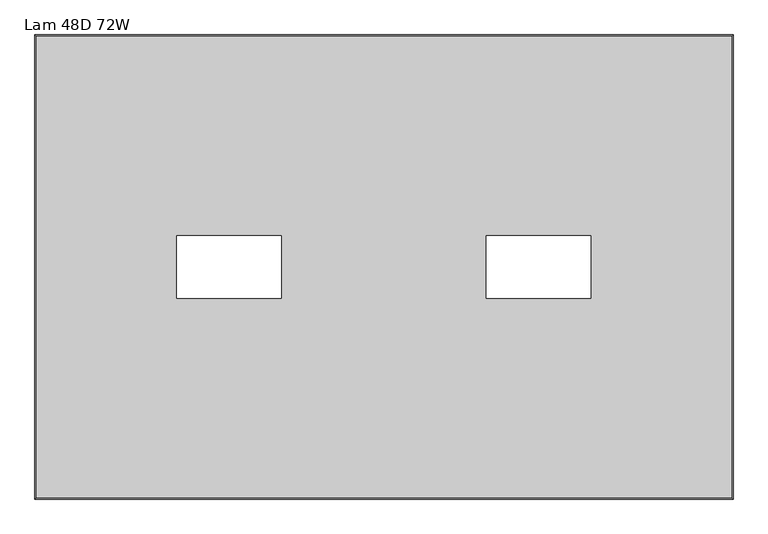
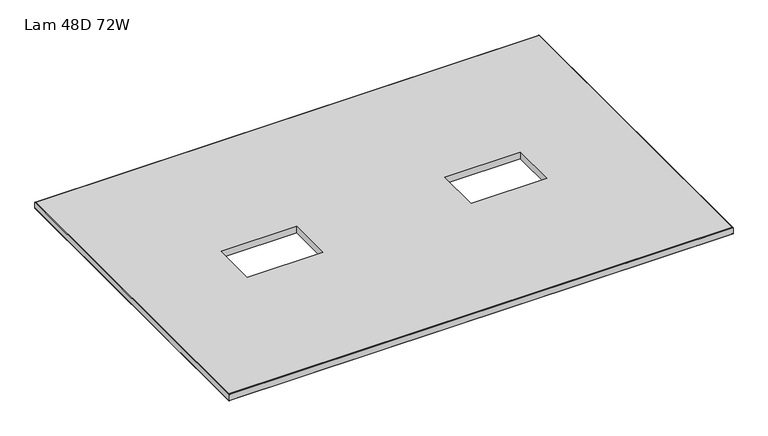
"""IFC4 building model written with IfcOpenShell, lengths in millimetres: furniture geometry, Lam 48D 72W."""

import ifcopenshell
import ifcopenshell.guid

model = None  # the IFC model being written
_history = None  # IfcOwnerHistory: only IFC2X3 demands one
_inside = {}  # id of a spatial element -> (the spatial element, [elements in it])
_under = {}  # id of a project, library or spatial element -> (it, [spatial elements below it])
_declared = {}  # id of a project -> (the project, [libraries it declares])
_typed = {}  # id of a type object -> (the type object, [elements of that type])
_made_of = {}  # id of a material, layer set ... -> (it, [elements and type objects made of it])


def new_model(schema):
    """Start an empty IFC model of exactly this schema.

    Asked for "IFC4X3", IfcOpenShell would pick the latest addendum, in which some entities
    have other attributes; the version numbers below select the first issue.
    IFC2X3 requires an IfcOwnerHistory on every rooted entity: one is made here for all.
    """
    global model, _history
    if schema == "IFC4X3":
        model = ifcopenshell.file(schema_version=(4, 3, 0, 0))
    else:
        model = ifcopenshell.file(schema=schema)
    _inside.clear()
    _under.clear()
    _declared.clear()
    _typed.clear()
    _made_of.clear()
    _history = None
    if model.schema == "IFC2X3":
        org = make("IfcOrganization", Name="unknown")
        user = make(
            "IfcPersonAndOrganization",
            ThePerson=make("IfcPerson", FamilyName="unknown"),
            TheOrganization=org,
        )
        app = make(
            "IfcApplication",
            ApplicationDeveloper=org,
            Version="unknown",
            ApplicationFullName="unknown",
            ApplicationIdentifier="unknown",
        )
        _history = make(
            "IfcOwnerHistory",
            OwningUser=user,
            OwningApplication=app,
            ChangeAction="ADDED",
            CreationDate=0,
        )
    return model


def make(cls, **values):
    """One entity of the class cls with the attributes given. An attribute that is None is left unset."""
    return model.create_entity(
        cls, **{name: value for name, value in values.items() if value is not None}
    )


def rooted(cls, **values):
    """An entity with a GlobalId (a new one), such as an element, a storey or a relation."""
    return make(cls, GlobalId=ifcopenshell.guid.new(), OwnerHistory=_history, **values)


def si_unit(unit_type, name, prefix=None):
    """IfcSIUnit, for example si_unit("LENGTHUNIT", "METRE", prefix="MILLI")."""
    return make("IfcSIUnit", UnitType=unit_type, Prefix=prefix, Name=name)


def assignment(units):
    """IfcUnitAssignment: the units of a project."""
    return None if units is None else make("IfcUnitAssignment", Units=units)


def point(xyz):
    """IfcCartesianPoint."""
    return None if xyz is None else make("IfcCartesianPoint", Coordinates=xyz)


def direction(xyz):
    """IfcDirection."""
    return None if xyz is None else make("IfcDirection", DirectionRatios=xyz)


def frame(location, z_axis=None, x_axis=None):
    """IfcAxis2Placement3D, a coordinate frame: its origin and axes. An axis left out is left unset."""
    return make(
        "IfcAxis2Placement3D",
        Location=point(location),
        Axis=direction(z_axis),
        RefDirection=direction(x_axis),
    )


def origin():
    """The frame at (0, 0, 0) with its axes left unset."""
    return frame((0.0, 0.0, 0.0))


def place(relative_to, where):
    """IfcLocalPlacement: puts the frame where relative to a parent placement (None: the world)."""
    return make(
        "IfcLocalPlacement", PlacementRelTo=relative_to, RelativePlacement=where
    )


def context(
    kind, dimensions, precision=None, world=None, true_north=None, identifier=None
):
    """IfcGeometricRepresentationContext, for example the 3D "Model" context."""
    return make(
        "IfcGeometricRepresentationContext",
        ContextIdentifier=identifier,
        ContextType=kind,
        CoordinateSpaceDimension=dimensions,
        Precision=precision,
        WorldCoordinateSystem=world,
        TrueNorth=true_north,
    )


def project(units=None, contexts=None):
    """IfcProject with its units and contexts."""
    return rooted(
        "IfcProject",
        Name="project",
        RepresentationContexts=contexts,
        UnitsInContext=assignment(units),
    )


def spatial(cls, under=None, at=None, **own):
    """A site, building, storey or space (cls), placed at a placement, below another one or the project."""
    s = rooted(cls, ObjectPlacement=at, **own)
    if under is not None:
        _under.setdefault(under.id(), (under, []))[1].append(s)
    return s


def polyline(points):
    """IfcPolyline through the points."""
    return make("IfcPolyline", Points=[point(p) for p in points])


def ellipse_curve(where, semi_axis1, semi_axis2):
    """IfcEllipse in the frame where."""
    return make(
        "IfcEllipse", Position=where, SemiAxis1=semi_axis1, SemiAxis2=semi_axis2
    )


def outline(outer, holes=None, kind="AREA"):
    """IfcArbitraryClosedProfileDef: a profile drawn as a closed curve; with holes, ...WithVoids."""
    if holes is None:
        return make("IfcArbitraryClosedProfileDef", ProfileType=kind, OuterCurve=outer)
    return make(
        "IfcArbitraryProfileDefWithVoids",
        ProfileType=kind,
        OuterCurve=outer,
        InnerCurves=holes,
    )


def extrude(swept, where, along, depth):
    """IfcExtrudedAreaSolid: the profile swept, set in the frame where, extruded along a direction by depth."""
    return make(
        "IfcExtrudedAreaSolid",
        SweptArea=swept,
        Position=where,
        ExtrudedDirection=direction(along),
        Depth=depth,
    )


def shape(context_of_items, identifier, shape_type, items):
    """IfcShapeRepresentation: the items that make up one representation, for example the "Body"."""
    return make(
        "IfcShapeRepresentation",
        ContextOfItems=context_of_items,
        RepresentationIdentifier=identifier,
        RepresentationType=shape_type,
        Items=items,
    )


def source(mapping_origin, context_of_items, identifier, shape_type, items):
    """IfcRepresentationMap: a shape defined once, which mapped items show again and again."""
    return make(
        "IfcRepresentationMap",
        MappingOrigin=mapping_origin,
        MappedRepresentation=shape(context_of_items, identifier, shape_type, items),
    )


def transform(
    local_origin,
    x_axis=None,
    y_axis=None,
    z_axis=None,
    scale=None,
    scale2=None,
    scale3=None,
    uniform=True,
):
    """IfcCartesianTransformationOperator3D, or its non-uniform kind. x_axis, y_axis, z_axis: its Axis1, 2, 3."""
    if uniform:
        return make(
            "IfcCartesianTransformationOperator3D",
            Axis1=direction(x_axis),
            Axis2=direction(y_axis),
            LocalOrigin=point(local_origin),
            Scale=scale,
            Axis3=direction(z_axis),
        )
    return make(
        "IfcCartesianTransformationOperator3DnonUniform",
        Axis1=direction(x_axis),
        Axis2=direction(y_axis),
        LocalOrigin=point(local_origin),
        Scale=scale,
        Axis3=direction(z_axis),
        Scale2=scale2,
        Scale3=scale3,
    )


def mapped(mapping_source, mapping_target):
    """IfcMappedItem: shows the shape of a source again, moved by a transform."""
    return make(
        "IfcMappedItem", MappingSource=mapping_source, MappingTarget=mapping_target
    )


def made_of(thing, what):
    """Note that an element or type object is made of a material, layer set ...; save() writes the relation."""
    if what is not None:
        _made_of.setdefault(what.id(), (what, []))[1].append(thing)
    return thing


def element(
    cls,
    number,
    at=None,
    inside=None,
    cuts=None,
    type_object=None,
    material=None,
    context=None,
    identifier="Body",
    shape_type=None,
    held_by="IfcProductDefinitionShape",
    body=None,
    shapes=None,
    **own,
):
    """One element of the class cls, such as IfcWall. Its Tag is "e" and its number.

    at: its placement. inside: the storey or other place that contains it. cuts: it is an
    opening in that element (IfcRelVoidsElement). A single representation is given by context,
    identifier, shape_type and body (its items); several are given by shapes. held_by: the class
    of the entity that holds the representations. save() writes the other relations.
    """
    e = rooted(cls, Tag="e%d" % number, ObjectPlacement=at, **own)
    if body is not None:
        shapes = [shape(context, identifier, shape_type, body)]
    if shapes is not None:
        e.Representation = make(held_by, Representations=shapes)
    if inside is not None:
        _inside.setdefault(inside.id(), (inside, []))[1].append(e)
    if cuts is not None:
        rooted(
            "IfcRelVoidsElement", RelatingBuildingElement=cuts, RelatedOpeningElement=e
        )
    if type_object is not None:
        _typed.setdefault(type_object.id(), (type_object, []))[1].append(e)
    return made_of(e, material)


def aggregate(whole, parts):
    """IfcRelAggregates: a whole, such as a stair, and the parts it consists of."""
    return rooted("IfcRelAggregates", RelatingObject=whole, RelatedObjects=parts)


def save(model, path):
    """Write the relations noted so far, then the file.

    IfcRelAggregates (storeys below a building ...), IfcRelContainedInSpatialStructure (elements
    in a storey), IfcRelDefinesByType, IfcRelAssociatesMaterial and IfcRelDeclares: one each for
    every whole, place, type object, material and project.
    """
    for whole, parts in _under.values():
        aggregate(whole, parts)
    for where, things in _inside.values():
        rooted(
            "IfcRelContainedInSpatialStructure",
            RelatedElements=things,
            RelatingStructure=where,
        )
    for kind, things in _typed.values():
        rooted("IfcRelDefinesByType", RelatedObjects=things, RelatingType=kind)
    for what, things in _made_of.values():
        rooted("IfcRelAssociatesMaterial", RelatedObjects=things, RelatingMaterial=what)
    for by, libraries in _declared.values():
        rooted("IfcRelDeclares", RelatingContext=by, RelatedDefinitions=libraries)
    model.write(path)


def plane_surface(at):
    """IfcPlane: the flat surface through the origin of the frame at, square to its z axis."""
    return make("IfcPlane", Position=at)


def cylinder_surface(at, radius):
    """IfcCylindricalSurface: all points at the distance radius from the z axis of the frame at."""
    return make("IfcCylindricalSurface", Position=at, Radius=radius)


def advanced_brep(points, edges, surfaces, faces):
    """IfcAdvancedBrep: a solid bounded by faces that lie on surfaces and meet in shared edges.

    An edge is (start, end): straight between two places in points (the first is 0);
    or (start, end, curve); or (start, end, curve, False) where it runs against its curve.
    A face is (place in surfaces, loops), or (place, loops, False) where it looks against
    its surface's normal. A loop lists edges by number (the first is 1), with a minus sign
    where the edge is run from its end to its start. The first loop is the outer one.
    """
    corners = [point(p) for p in points]
    vertices = [make("IfcVertexPoint", VertexGeometry=c) for c in corners]
    made = []
    for start, end, *more in edges:
        made.append(
            make(
                "IfcEdgeCurve",
                EdgeStart=vertices[start],
                EdgeEnd=vertices[end],
                EdgeGeometry=more[0] if more else make("IfcPolyline", Points=[corners[start], corners[end]]),
                SameSense=more[1] if len(more) > 1 else True,
            )
        )
    hull = []
    for where, loops, *sense in faces:
        bounds = []
        for j, loop in enumerate(loops):
            ring = [make("IfcOrientedEdge", EdgeElement=made[abs(k) - 1], Orientation=k > 0) for k in loop]
            bounds.append(
                make(
                    "IfcFaceOuterBound" if j == 0 else "IfcFaceBound",
                    Bound=make("IfcEdgeLoop", EdgeList=ring),
                    Orientation=True,
                )
            )
        hull.append(make("IfcAdvancedFace", Bounds=bounds, FaceSurface=surfaces[where], SameSense=sense[0] if sense else True))
    return make("IfcAdvancedBrep", Outer=make("IfcClosedShell", CfsFaces=hull))


def lam_48d_72w_dd69f73e(model_context):
    return source(origin(), model_context, "Body", "SolidModel", [
        advanced_brep(
        [(-1097.0, 604.8248, 342.9), (-1097.0, 604.8248, 317.5), (724.1518, 604.8248, 317.5), (724.1518, 604.8248, 342.9), (724.1518, -604.8248, 317.5), (724.1518, -604.8248, 342.9), (-1097.0, -604.8248, 317.5), (-1097.0, -604.8248, 342.9), (-1098.6002, 606.425, 319.1002), (-1098.6002, 606.425, 341.2998), (725.752, 606.425, 341.2998), (725.752, 606.425, 319.1002), (725.752, -606.425, 341.2998), (725.752, -606.425, 319.1002), (-1098.6002, -606.425, 341.2998), (-1098.6002, -606.425, 319.1002)],
        [
            (0, 1),
            (1, 2),
            (2, 3),
            (3, 0),
            (2, 4),
            (4, 5),
            (5, 3),
            (4, 6),
            (6, 7),
            (7, 5),
            (6, 1),
            (0, 7),
            (8, 9),
            (9, 10),
            (10, 11),
            (11, 8),
            (10, 12),
            (12, 13),
            (13, 11),
            (12, 14),
            (14, 15),
            (15, 13),
            (14, 9),
            (8, 15),
            (9, 0, ellipse_curve(frame((-1097.0, 604.8248, 341.2998), z_axis=(0.7071067811865475, 0.7071067811865475, 0.0), x_axis=(-0.7071067811865476, 0.7071067811865474, 0.0)), 2.2630245, 1.6002)),
            (3, 10, ellipse_curve(frame((724.1518, 604.8248, 341.2998), z_axis=(-0.7071067811865475, 0.7071067811865475, 0.0), x_axis=(-0.7071067811865476, -0.7071067811865474, 0.0)), 2.2630245, 1.6002)),
            (1, 8, ellipse_curve(frame((-1097.0, 604.8248, 319.1002), z_axis=(0.7071067811865475, 0.7071067811865475, 0.0), x_axis=(-0.7071067811865476, 0.7071067811865474, 0.0)), 2.2630245, 1.6002)),
            (11, 2, ellipse_curve(frame((724.1518, 604.8248, 319.1002), z_axis=(-0.7071067811865475, 0.7071067811865475, 0.0), x_axis=(-0.7071067811865476, -0.7071067811865474, 0.0)), 2.2630245, 1.6002)),
            (5, 12, ellipse_curve(frame((724.1518, -604.8248, 341.2998), z_axis=(0.7071067811865475, 0.7071067811865475, 0.0), x_axis=(-0.7071067811865474, 0.7071067811865476, 0.0)), 2.2630245, 1.6002)),
            (13, 4, ellipse_curve(frame((724.1518, -604.8248, 319.1002), z_axis=(0.7071067811865475, 0.7071067811865475, 0.0), x_axis=(-0.7071067811865474, 0.7071067811865476, 0.0)), 2.2630245, 1.6002)),
            (7, 14, ellipse_curve(frame((-1097.0, -604.8248, 341.2998), z_axis=(0.7071067811865475, -0.7071067811865475, 0.0), x_axis=(0.7071067811865476, 0.7071067811865474, 0.0)), 2.2630245, 1.6002)),
            (15, 6, ellipse_curve(frame((-1097.0, -604.8248, 319.1002), z_axis=(0.7071067811865475, -0.7071067811865475, 0.0), x_axis=(0.7071067811865476, 0.7071067811865474, 0.0)), 2.2630245, 1.6002)),
        ],
        [
            plane_surface(frame((-1097.0, 604.8248, 317.5), z_axis=(0.0, -1.0, 0.0), x_axis=(1.0, 0.0, 0.0))),
            plane_surface(frame((724.1518, 604.8248, 317.5), z_axis=(-1.0, 0.0, 0.0), x_axis=(0.0, -1.0, 0.0))),
            plane_surface(frame((724.1518, -604.8248, 317.5), z_axis=(0.0, 1.0, 0.0), x_axis=(-1.0, 0.0, 0.0))),
            plane_surface(frame((-1097.0, -604.8248, 317.5), z_axis=(1.0, 0.0, 0.0), x_axis=(0.0, 1.0, 0.0))),
            plane_surface(frame((-1098.6002, 606.425, 341.2998), z_axis=(0.0, 1.0, 0.0), x_axis=(1.0, 0.0, 0.0))),
            plane_surface(frame((725.752, 606.425, 341.2998), z_axis=(1.0, 0.0, 0.0), x_axis=(0.0, -1.0, 0.0))),
            plane_surface(frame((725.752, -606.425, 341.2998), z_axis=(0.0, -1.0, 0.0), x_axis=(-1.0, 0.0, 0.0))),
            plane_surface(frame((-1098.6002, -606.425, 341.2998), z_axis=(-1.0, 0.0, 0.0), x_axis=(0.0, 1.0, 0.0))),
            cylinder_surface(frame((-1097.0, 604.8248, 341.2998), z_axis=(-1.0, 0.0, 0.0), x_axis=(0.0, -1.0, 0.0)), 1.6002),
            cylinder_surface(frame((-1097.0, 604.8248, 319.1002), z_axis=(-1.0, 0.0, 0.0), x_axis=(0.0, -1.0, 0.0)), 1.6002),
            cylinder_surface(frame((724.1518, 604.8248, 341.2998), z_axis=(0.0, 1.0, 0.0), x_axis=(-1.0, 0.0, 0.0)), 1.6002),
            cylinder_surface(frame((724.1518, 604.8248, 319.1002), z_axis=(0.0, 1.0, 0.0), x_axis=(-1.0, 0.0, 0.0)), 1.6002),
            cylinder_surface(frame((724.1518, -604.8248, 341.2998), z_axis=(1.0, 0.0, 0.0), x_axis=(0.0, 1.0, 0.0)), 1.6002),
            cylinder_surface(frame((724.1518, -604.8248, 319.1002), z_axis=(1.0, 0.0, 0.0), x_axis=(0.0, 1.0, 0.0)), 1.6002),
            cylinder_surface(frame((-1097.0, -604.8248, 341.2998), z_axis=(0.0, -1.0, 0.0), x_axis=(1.0, 0.0, 0.0)), 1.6002),
            cylinder_surface(frame((-1097.0, -604.8248, 319.1002), z_axis=(0.0, -1.0, 0.0), x_axis=(1.0, 0.0, 0.0)), 1.6002),
        ],
        [
            (0, [[1, 2, 3, 4]]),
            (1, [[-3, 5, 6, 7]]),
            (2, [[-6, 8, 9, 10]]),
            (3, [[-9, 11, -1, 12]]),
            (4, [[13, 14, 15, 16]]),
            (5, [[-15, 17, 18, 19]]),
            (6, [[-18, 20, 21, 22]]),
            (7, [[-21, 23, -13, 24]]),
            (8, [[25, -4, 26, -14]]),
            (9, [[27, -16, 28, -2]]),
            (10, [[-26, -7, 29, -17]]),
            (11, [[-28, -19, 30, -5]]),
            (12, [[-29, -10, 31, -20]]),
            (13, [[-30, -22, 32, -8]]),
            (14, [[-31, -12, -25, -23]]),
            (15, [[-32, -24, -27, -11]]),
        ],
    ),
        extrude(outline(polyline([(724.1518, 604.8248), (724.1518, -604.8248), (-1097.0, -604.8248), (-1097.0, 604.8248), (724.1518, 604.8248)]), holes=[polyline([(-455.4623, 81.915), (-728.5123, 81.915), (-728.5123, -81.915), (-455.4623, -81.915), (-455.4623, 81.915)]), polyline([(354.2643, 81.915), (81.2143, 81.915), (81.2143, -81.915), (354.2643, -81.915), (354.2643, 81.915)])]), frame((0.0, 0.0, 317.5), z_axis=(0.0, 0.0, 1.0), x_axis=(1.0, 0.0, 0.0)), (0.0, 0.0, 1.0), 25.4),
    ])


if __name__ == "__main__":
    model = new_model("IFC4")
    model_context = context("Model", 3, world=origin())
    ifc_project = project(units=[si_unit("LENGTHUNIT", "METRE", prefix="MILLI")], contexts=[model_context])
    site = spatial("IfcSite", under=ifc_project)
    building = spatial("IfcBuilding", under=site)
    placement = place(None, origin())
    lam_48d_72w_shape = lam_48d_72w_dd69f73e(model_context)
    element("IfcFurniture", 1, ObjectType="Lam 48D 72W", at=placement, inside=building, context=model_context, shape_type="MappedRepresentation", body=[
        mapped(lam_48d_72w_shape, transform((0.0, 0.0, 0.0), x_axis=(1.0, 0.0, 0.0), y_axis=(0.0, 1.0, 0.0), z_axis=(0.0, 0.0, 1.0))),
    ])
    save(model, "model.ifc")
